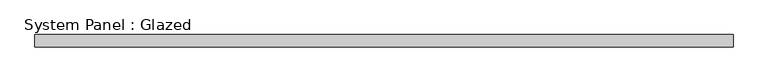
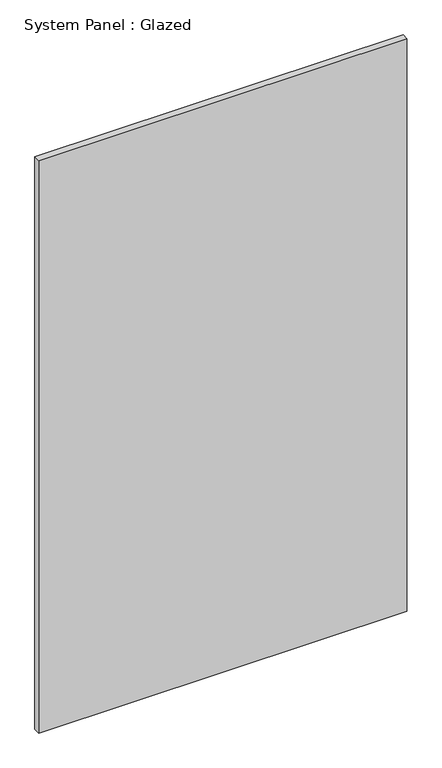
"""IFC4 building model written with IfcOpenShell, lengths in millimetres: plate geometry, System Panel : Glazed."""

from ifc_helpers import new_model, si_unit, origin, origin_with_axes, place, context, project, spatial, polyline, outline, extrude, source, transform, mapped, element, save


def system_panel_glazed_238eb125(model_context):
    return source(origin(), model_context, "Body", "SweptSolid", [
        extrude(outline(polyline([(707.0001553, 24.5), (-707.0001553, 24.5), (-707.0001553, 49.5), (707.0001553, 49.5), (707.0001553, 24.5)])), origin_with_axes(), (0.0, 0.0, 1.0), 2325.0),
    ])


if __name__ == "__main__":
    model = new_model("IFC4")
    model_context = context("Model", 3, world=origin())
    ifc_project = project(units=[si_unit("LENGTHUNIT", "METRE", prefix="MILLI")], contexts=[model_context])
    site = spatial("IfcSite", under=ifc_project)
    building = spatial("IfcBuilding", under=site)
    placement = place(None, origin())
    system_panel_glazed_shape = system_panel_glazed_238eb125(model_context)
    element("IfcPlate", 1, ObjectType="System Panel : Glazed", at=placement, inside=building, context=model_context, shape_type="MappedRepresentation", body=[
        mapped(system_panel_glazed_shape, transform((0.0, 0.0, 0.0), x_axis=(1.0, 0.0, 0.0), y_axis=(0.0, 1.0, 0.0), z_axis=(0.0, 0.0, 1.0))),
    ])
    save(model, "model.ifc")
